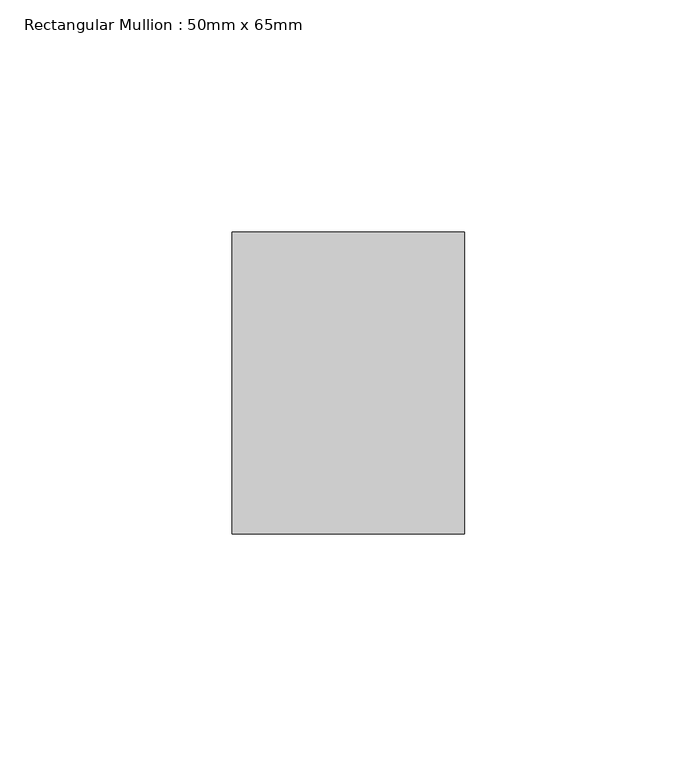
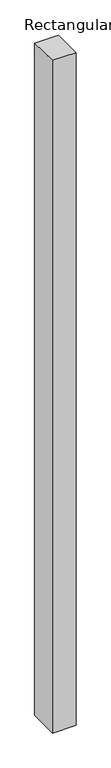
"""IFC4 building model written with IfcOpenShell, lengths in millimetres: member geometry, Rectangular Mullion : 50mm x 65mm."""

from ifc_helpers import new_model, si_unit, origin, place, context, project, spatial, faceted_brep, source, transform, mapped, element, save


def rectangular_mullion_50mm_x_65mm_9915c8ff(model_context):
    return source(origin(), model_context, "Body", "Brep", [
        faceted_brep([(-25.0, 32.5, -0.4073271), (25.0, 32.5, -0.4073257), (25.0, 32.5, -1499.694437), (-25.0, 32.5, -1499.694436), (-25.0, -32.5, 0.4073257), (-25.0, -32.5, -1500.3058844), (25.0, -32.5, 0.4073271), (25.0, -32.5, -1500.3058854)], [[[0, 1, 2, 3]], [[4, 0, 3, 5]], [[6, 4, 5, 7]], [[1, 6, 7, 2]], [[1, 0, 4, 6]], [[2, 7, 5, 3]]]),
    ])


if __name__ == "__main__":
    model = new_model("IFC4")
    model_context = context("Model", 3, world=origin())
    ifc_project = project(units=[si_unit("LENGTHUNIT", "METRE", prefix="MILLI")], contexts=[model_context])
    site = spatial("IfcSite", under=ifc_project)
    building = spatial("IfcBuilding", under=site)
    placement = place(None, origin())
    rectangular_mullion_50mm_x_65mm_shape = rectangular_mullion_50mm_x_65mm_9915c8ff(model_context)
    element("IfcMember", 1, ObjectType="Rectangular Mullion : 50mm x 65mm", at=placement, inside=building, context=model_context, shape_type="MappedRepresentation", body=[
        mapped(rectangular_mullion_50mm_x_65mm_shape, transform((0.0, 0.0, 0.0), x_axis=(1.0, 0.0, 0.0), y_axis=(0.0, 1.0, 0.0), z_axis=(0.0, 0.0, 1.0))),
    ])
    save(model, "model.ifc")
